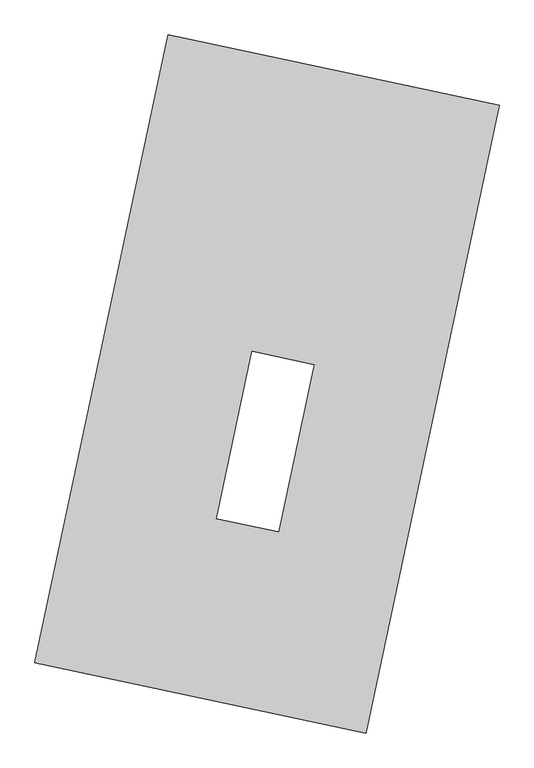
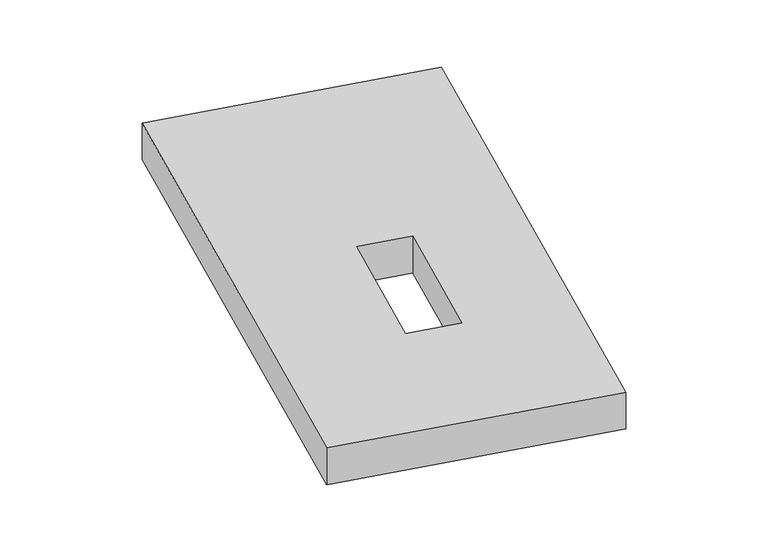
"""IFC4 building model written with IfcOpenShell, lengths in millimetres: proxy geometry."""

from ifc_helpers import new_model, si_unit, origin, origin_with_axes, place, context, project, spatial, polyline, outline, extrude, source, transform, mapped, element, save


def generic_models_f1dbdb6c(model_context):
    return source(origin(), model_context, "Body", "SweptSolid", [
        extrude(outline(polyline([(-617.3692021, 2175.5580432), (1447.7508745, 1737.3010494), (617.3692021, -2175.5580432), (-1447.7508745, -1737.3010494), (-617.3692021, 2175.5580432)]), holes=[polyline([(292.7828425, 120.5069672), (-94.0907208, 202.6087524), (-315.4021121, -840.2373491), (71.4714512, -922.3391343), (292.7828425, 120.5069672)])]), origin_with_axes(), (0.0, 0.0, 1.0), 300.0),
    ])


if __name__ == "__main__":
    model = new_model("IFC4")
    model_context = context("Model", 3, world=origin())
    ifc_project = project(units=[si_unit("LENGTHUNIT", "METRE", prefix="MILLI")], contexts=[model_context])
    site = spatial("IfcSite", under=ifc_project)
    building = spatial("IfcBuilding", under=site)
    placement = place(None, origin())
    generic_models_shape = generic_models_f1dbdb6c(model_context)
    element("IfcBuildingElementProxy", 1, Name="Generic Models", at=placement, inside=building, context=model_context, shape_type="MappedRepresentation", body=[
        mapped(generic_models_shape, transform((0.0, 0.0, 0.0), x_axis=(1.0, 0.0, 0.0), y_axis=(0.0, 1.0, 0.0), z_axis=(0.0, 0.0, 1.0))),
    ])
    save(model, "model.ifc")
